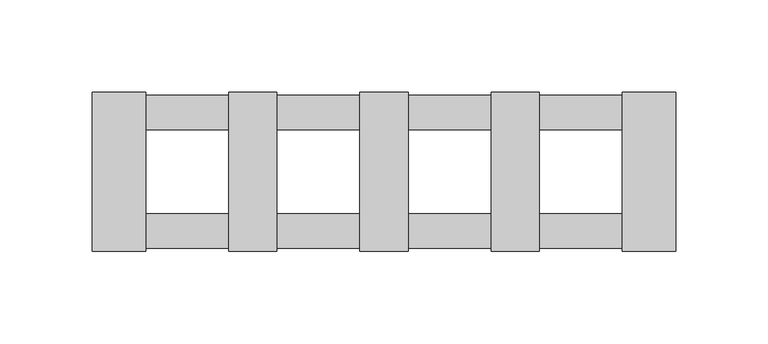
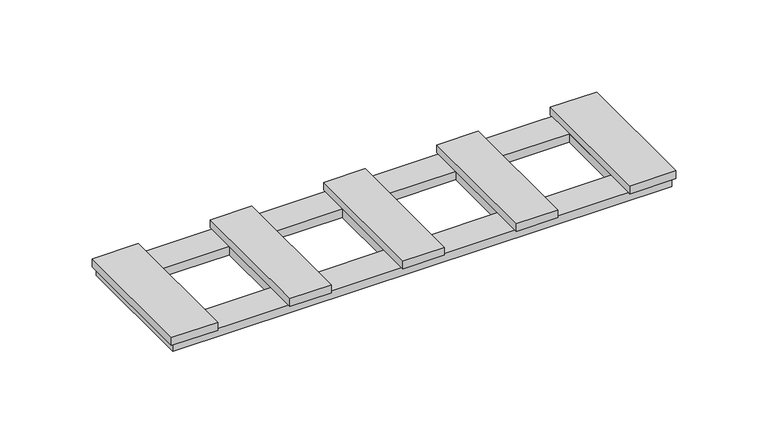
"""IFC4 building model written with IfcOpenShell, lengths in millimetres: proxy geometry."""

from ifc_helpers import new_model, si_unit, frame, origin, origin_with_axes, place, context, project, spatial, polyline, outline, extrude, source, transform, mapped, element, save


def electrical_fixtures_5e49b981(model_context):
    return source(origin(), model_context, "Body", "SweptSolid", [
        extrude(outline(polyline([(-157.9, -43.0), (-157.9, 43.0), (-129.0, 43.0), (-129.0, -43.0), (-157.9, -43.0)])), frame((0.0, 0.0, 5.5), z_axis=(0.0, 0.0, 1.0), x_axis=(1.0, 0.0, 0.0)), (0.0, 0.0, 1.0), 5.2),
        extrude(outline(polyline([(-84.0, -43.0), (-84.0, 43.0), (-58.0, 43.0), (-58.0, -43.0), (-84.0, -43.0)])), frame((0.0, 0.0, 5.5), z_axis=(0.0, 0.0, 1.0), x_axis=(1.0, 0.0, 0.0)), (0.0, 0.0, 1.0), 5.2),
        extrude(outline(polyline([(-13.0, -43.0), (-13.0, 43.0), (13.0, 43.0), (13.0, -43.0), (-13.0, -43.0)])), frame((0.0, 0.0, 5.5), z_axis=(0.0, 0.0, 1.0), x_axis=(1.0, 0.0, 0.0)), (0.0, 0.0, 1.0), 5.2),
        extrude(outline(polyline([(58.0, -43.0), (58.0, 43.0), (84.0, 43.0), (84.0, -43.0), (58.0, -43.0)])), frame((0.0, 0.0, 5.5), z_axis=(0.0, 0.0, 1.0), x_axis=(1.0, 0.0, 0.0)), (0.0, 0.0, 1.0), 5.2),
        extrude(outline(polyline([(156.2, 41.5), (156.2, -41.5), (-156.1718172, -41.5), (-156.1718172, 41.5), (156.2, 41.5)]), holes=[polyline([(-84.0, 22.5), (-129.0, 22.5), (-129.0, -22.5), (-84.0, -22.5), (-84.0, 22.5)]), polyline([(-58.0, 22.5), (-58.0, -22.5), (-13.0, -22.5), (-13.0, 22.5), (-58.0, 22.5)]), polyline([(13.0, 22.5), (13.0, -22.5), (58.0, -22.5), (58.0, 22.5), (13.0, 22.5)]), polyline([(84.0, 22.5), (84.0, -22.5), (129.0, -22.5), (129.0, 22.5), (84.0, 22.5)])]), origin_with_axes(), (0.0, 0.0, 1.0), 5.5),
        extrude(outline(polyline([(157.9, -43.0), (129.0, -43.0), (129.0, 43.0), (157.9, 43.0), (157.9, -43.0)])), frame((0.0, 0.0, 5.5), z_axis=(0.0, 0.0, 1.0), x_axis=(1.0, 0.0, 0.0)), (0.0, 0.0, 1.0), 5.2),
    ])


if __name__ == "__main__":
    model = new_model("IFC4")
    model_context = context("Model", 3, world=origin())
    ifc_project = project(units=[si_unit("LENGTHUNIT", "METRE", prefix="MILLI")], contexts=[model_context])
    site = spatial("IfcSite", under=ifc_project)
    building = spatial("IfcBuilding", under=site)
    placement = place(None, origin())
    electrical_fixtures_shape = electrical_fixtures_5e49b981(model_context)
    element("IfcBuildingElementProxy", 1, Name="Electrical Fixtures", at=placement, inside=building, context=model_context, shape_type="MappedRepresentation", body=[
        mapped(electrical_fixtures_shape, transform((0.0, 0.0, 0.0), x_axis=(1.0, 0.0, 0.0), y_axis=(0.0, 1.0, 0.0), z_axis=(0.0, 0.0, 1.0))),
    ])
    save(model, "model.ifc")
